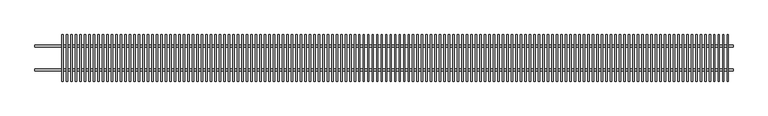
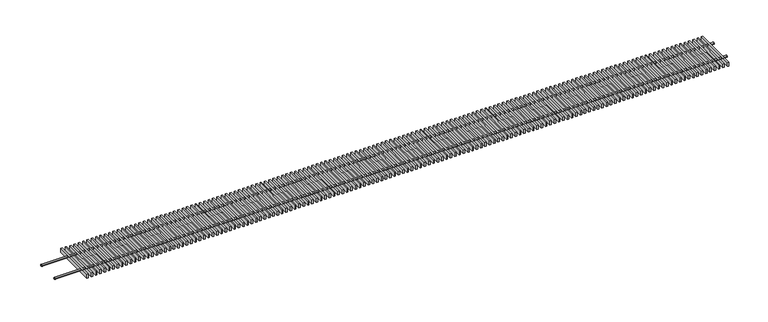
"""IFC4 building model written with IfcOpenShell, lengths in millimetres: proxy geometry."""

from ifc_helpers import new_model, si_unit, point, frame, frame_2d, origin, place, context, project, spatial, polyline, circle_curve, trimmed, segment, composite_curve, outline, extrude, source, transform, mapped, element, save


def mechanical_equipment_a3d43821(model_context):
    return source(origin(), model_context, "Body", "SweptSolid", [
        extrude(outline(polyline([(2923.0322581, -98.5), (2923.0322581, 98.5), (2929.0322581, 98.5), (2929.0322581, -98.5), (2923.0322581, -98.5)])), frame((0.0, 0.0, 77.0), z_axis=(0.0, 0.0, 1.0), x_axis=(1.0, 0.0, 0.0)), (0.0, 0.0, 1.0), 18.0),
        extrude(outline(polyline([(2904.0645161, -98.5), (2904.0645161, 98.5), (2910.0645161, 98.5), (2910.0645161, -98.5), (2904.0645161, -98.5)])), frame((0.0, 0.0, 77.0), z_axis=(0.0, 0.0, 1.0), x_axis=(1.0, 0.0, 0.0)), (0.0, 0.0, 1.0), 18.0),
        extrude(outline(polyline([(2885.0967742, -98.5), (2885.0967742, 98.5), (2891.0967742, 98.5), (2891.0967742, -98.5), (2885.0967742, -98.5)])), frame((0.0, 0.0, 77.0), z_axis=(0.0, 0.0, 1.0), x_axis=(1.0, 0.0, 0.0)), (0.0, 0.0, 1.0), 18.0),
        extrude(outline(polyline([(2866.1290323, -98.5), (2866.1290323, 98.5), (2872.1290323, 98.5), (2872.1290323, -98.5), (2866.1290323, -98.5)])), frame((0.0, 0.0, 77.0), z_axis=(0.0, 0.0, 1.0), x_axis=(1.0, 0.0, 0.0)), (0.0, 0.0, 1.0), 18.0),
        extrude(outline(polyline([(2847.1612903, -98.5), (2847.1612903, 98.5), (2853.1612903, 98.5), (2853.1612903, -98.5), (2847.1612903, -98.5)])), frame((0.0, 0.0, 77.0), z_axis=(0.0, 0.0, 1.0), x_axis=(1.0, 0.0, 0.0)), (0.0, 0.0, 1.0), 18.0),
        extrude(outline(polyline([(2828.1935484, -98.5), (2828.1935484, 98.5), (2834.1935484, 98.5), (2834.1935484, -98.5), (2828.1935484, -98.5)])), frame((0.0, 0.0, 77.0), z_axis=(0.0, 0.0, 1.0), x_axis=(1.0, 0.0, 0.0)), (0.0, 0.0, 1.0), 18.0),
        extrude(outline(polyline([(2809.2258065, -98.5), (2809.2258065, 98.5), (2815.2258065, 98.5), (2815.2258065, -98.5), (2809.2258065, -98.5)])), frame((0.0, 0.0, 77.0), z_axis=(0.0, 0.0, 1.0), x_axis=(1.0, 0.0, 0.0)), (0.0, 0.0, 1.0), 18.0),
        extrude(outline(polyline([(2790.2580645, -98.5), (2790.2580645, 98.5), (2796.2580645, 98.5), (2796.2580645, -98.5), (2790.2580645, -98.5)])), frame((0.0, 0.0, 77.0), z_axis=(0.0, 0.0, 1.0), x_axis=(1.0, 0.0, 0.0)), (0.0, 0.0, 1.0), 18.0),
        extrude(outline(polyline([(2771.2903226, -98.5), (2771.2903226, 98.5), (2777.2903226, 98.5), (2777.2903226, -98.5), (2771.2903226, -98.5)])), frame((0.0, 0.0, 77.0), z_axis=(0.0, 0.0, 1.0), x_axis=(1.0, 0.0, 0.0)), (0.0, 0.0, 1.0), 18.0),
        extrude(outline(polyline([(2752.3225806, -98.5), (2752.3225806, 98.5), (2758.3225806, 98.5), (2758.3225806, -98.5), (2752.3225806, -98.5)])), frame((0.0, 0.0, 77.0), z_axis=(0.0, 0.0, 1.0), x_axis=(1.0, 0.0, 0.0)), (0.0, 0.0, 1.0), 18.0),
        extrude(outline(polyline([(2733.3548387, -98.5), (2733.3548387, 98.5), (2739.3548387, 98.5), (2739.3548387, -98.5), (2733.3548387, -98.5)])), frame((0.0, 0.0, 77.0), z_axis=(0.0, 0.0, 1.0), x_axis=(1.0, 0.0, 0.0)), (0.0, 0.0, 1.0), 18.0),
        extrude(outline(polyline([(2714.3870968, -98.5), (2714.3870968, 98.5), (2720.3870968, 98.5), (2720.3870968, -98.5), (2714.3870968, -98.5)])), frame((0.0, 0.0, 77.0), z_axis=(0.0, 0.0, 1.0), x_axis=(1.0, 0.0, 0.0)), (0.0, 0.0, 1.0), 18.0),
        extrude(outline(polyline([(2695.4193548, -98.5), (2695.4193548, 98.5), (2701.4193548, 98.5), (2701.4193548, -98.5), (2695.4193548, -98.5)])), frame((0.0, 0.0, 77.0), z_axis=(0.0, 0.0, 1.0), x_axis=(1.0, 0.0, 0.0)), (0.0, 0.0, 1.0), 18.0),
        extrude(outline(polyline([(2676.4516129, -98.5), (2676.4516129, 98.5), (2682.4516129, 98.5), (2682.4516129, -98.5), (2676.4516129, -98.5)])), frame((0.0, 0.0, 77.0), z_axis=(0.0, 0.0, 1.0), x_axis=(1.0, 0.0, 0.0)), (0.0, 0.0, 1.0), 18.0),
        extrude(outline(polyline([(2657.483871, -98.5), (2657.483871, 98.5), (2663.483871, 98.5), (2663.483871, -98.5), (2657.483871, -98.5)])), frame((0.0, 0.0, 77.0), z_axis=(0.0, 0.0, 1.0), x_axis=(1.0, 0.0, 0.0)), (0.0, 0.0, 1.0), 18.0),
        extrude(outline(polyline([(2638.516129, -98.5), (2638.516129, 98.5), (2644.516129, 98.5), (2644.516129, -98.5), (2638.516129, -98.5)])), frame((0.0, 0.0, 77.0), z_axis=(0.0, 0.0, 1.0), x_axis=(1.0, 0.0, 0.0)), (0.0, 0.0, 1.0), 18.0),
        extrude(outline(polyline([(2619.5483871, -98.5), (2619.5483871, 98.5), (2625.5483871, 98.5), (2625.5483871, -98.5), (2619.5483871, -98.5)])), frame((0.0, 0.0, 77.0), z_axis=(0.0, 0.0, 1.0), x_axis=(1.0, 0.0, 0.0)), (0.0, 0.0, 1.0), 18.0),
        extrude(outline(polyline([(2600.5806452, -98.5), (2600.5806452, 98.5), (2606.5806452, 98.5), (2606.5806452, -98.5), (2600.5806452, -98.5)])), frame((0.0, 0.0, 77.0), z_axis=(0.0, 0.0, 1.0), x_axis=(1.0, 0.0, 0.0)), (0.0, 0.0, 1.0), 18.0),
        extrude(outline(polyline([(2581.6129032, -98.5), (2581.6129032, 98.5), (2587.6129032, 98.5), (2587.6129032, -98.5), (2581.6129032, -98.5)])), frame((0.0, 0.0, 77.0), z_axis=(0.0, 0.0, 1.0), x_axis=(1.0, 0.0, 0.0)), (0.0, 0.0, 1.0), 18.0),
        extrude(outline(polyline([(2562.6451613, -98.5), (2562.6451613, 98.5), (2568.6451613, 98.5), (2568.6451613, -98.5), (2562.6451613, -98.5)])), frame((0.0, 0.0, 77.0), z_axis=(0.0, 0.0, 1.0), x_axis=(1.0, 0.0, 0.0)), (0.0, 0.0, 1.0), 18.0),
        extrude(outline(polyline([(2543.6774194, -98.5), (2543.6774194, 98.5), (2549.6774194, 98.5), (2549.6774194, -98.5), (2543.6774194, -98.5)])), frame((0.0, 0.0, 77.0), z_axis=(0.0, 0.0, 1.0), x_axis=(1.0, 0.0, 0.0)), (0.0, 0.0, 1.0), 18.0),
        extrude(outline(polyline([(2524.7096774, -98.5), (2524.7096774, 98.5), (2530.7096774, 98.5), (2530.7096774, -98.5), (2524.7096774, -98.5)])), frame((0.0, 0.0, 77.0), z_axis=(0.0, 0.0, 1.0), x_axis=(1.0, 0.0, 0.0)), (0.0, 0.0, 1.0), 18.0),
        extrude(outline(polyline([(2505.7419355, -98.5), (2505.7419355, 98.5), (2511.7419355, 98.5), (2511.7419355, -98.5), (2505.7419355, -98.5)])), frame((0.0, 0.0, 77.0), z_axis=(0.0, 0.0, 1.0), x_axis=(1.0, 0.0, 0.0)), (0.0, 0.0, 1.0), 18.0),
        extrude(outline(polyline([(2486.7741935, -98.5), (2486.7741935, 98.5), (2492.7741935, 98.5), (2492.7741935, -98.5), (2486.7741935, -98.5)])), frame((0.0, 0.0, 77.0), z_axis=(0.0, 0.0, 1.0), x_axis=(1.0, 0.0, 0.0)), (0.0, 0.0, 1.0), 18.0),
        extrude(outline(polyline([(2467.8064516, -98.5), (2467.8064516, 98.5), (2473.8064516, 98.5), (2473.8064516, -98.5), (2467.8064516, -98.5)])), frame((0.0, 0.0, 77.0), z_axis=(0.0, 0.0, 1.0), x_axis=(1.0, 0.0, 0.0)), (0.0, 0.0, 1.0), 18.0),
        extrude(outline(polyline([(2448.8387097, -98.5), (2448.8387097, 98.5), (2454.8387097, 98.5), (2454.8387097, -98.5), (2448.8387097, -98.5)])), frame((0.0, 0.0, 77.0), z_axis=(0.0, 0.0, 1.0), x_axis=(1.0, 0.0, 0.0)), (0.0, 0.0, 1.0), 18.0),
        extrude(outline(polyline([(2429.8709677, -98.5), (2429.8709677, 98.5), (2435.8709677, 98.5), (2435.8709677, -98.5), (2429.8709677, -98.5)])), frame((0.0, 0.0, 77.0), z_axis=(0.0, 0.0, 1.0), x_axis=(1.0, 0.0, 0.0)), (0.0, 0.0, 1.0), 18.0),
        extrude(outline(polyline([(2410.9032258, -98.5), (2410.9032258, 98.5), (2416.9032258, 98.5), (2416.9032258, -98.5), (2410.9032258, -98.5)])), frame((0.0, 0.0, 77.0), z_axis=(0.0, 0.0, 1.0), x_axis=(1.0, 0.0, 0.0)), (0.0, 0.0, 1.0), 18.0),
        extrude(outline(polyline([(2391.9354839, -98.5), (2391.9354839, 98.5), (2397.9354839, 98.5), (2397.9354839, -98.5), (2391.9354839, -98.5)])), frame((0.0, 0.0, 77.0), z_axis=(0.0, 0.0, 1.0), x_axis=(1.0, 0.0, 0.0)), (0.0, 0.0, 1.0), 18.0),
        extrude(outline(polyline([(2372.9677419, -98.5), (2372.9677419, 98.5), (2378.9677419, 98.5), (2378.9677419, -98.5), (2372.9677419, -98.5)])), frame((0.0, 0.0, 77.0), z_axis=(0.0, 0.0, 1.0), x_axis=(1.0, 0.0, 0.0)), (0.0, 0.0, 1.0), 18.0),
        extrude(outline(polyline([(2354.0, -98.5), (2354.0, 98.5), (2360.0, 98.5), (2360.0, -98.5), (2354.0, -98.5)])), frame((0.0, 0.0, 77.0), z_axis=(0.0, 0.0, 1.0), x_axis=(1.0, 0.0, 0.0)), (0.0, 0.0, 1.0), 18.0),
        extrude(outline(polyline([(2335.0322581, -98.5), (2335.0322581, 98.5), (2341.0322581, 98.5), (2341.0322581, -98.5), (2335.0322581, -98.5)])), frame((0.0, 0.0, 77.0), z_axis=(0.0, 0.0, 1.0), x_axis=(1.0, 0.0, 0.0)), (0.0, 0.0, 1.0), 18.0),
        extrude(outline(polyline([(2316.0645161, -98.5), (2316.0645161, 98.5), (2322.0645161, 98.5), (2322.0645161, -98.5), (2316.0645161, -98.5)])), frame((0.0, 0.0, 77.0), z_axis=(0.0, 0.0, 1.0), x_axis=(1.0, 0.0, 0.0)), (0.0, 0.0, 1.0), 18.0),
        extrude(outline(polyline([(2297.0967742, -98.5), (2297.0967742, 98.5), (2303.0967742, 98.5), (2303.0967742, -98.5), (2297.0967742, -98.5)])), frame((0.0, 0.0, 77.0), z_axis=(0.0, 0.0, 1.0), x_axis=(1.0, 0.0, 0.0)), (0.0, 0.0, 1.0), 18.0),
        extrude(outline(polyline([(2278.1290323, -98.5), (2278.1290323, 98.5), (2284.1290323, 98.5), (2284.1290323, -98.5), (2278.1290323, -98.5)])), frame((0.0, 0.0, 77.0), z_axis=(0.0, 0.0, 1.0), x_axis=(1.0, 0.0, 0.0)), (0.0, 0.0, 1.0), 18.0),
        extrude(outline(polyline([(2259.1612903, -98.5), (2259.1612903, 98.5), (2265.1612903, 98.5), (2265.1612903, -98.5), (2259.1612903, -98.5)])), frame((0.0, 0.0, 77.0), z_axis=(0.0, 0.0, 1.0), x_axis=(1.0, 0.0, 0.0)), (0.0, 0.0, 1.0), 18.0),
        extrude(outline(polyline([(2240.1935484, -98.5), (2240.1935484, 98.5), (2246.1935484, 98.5), (2246.1935484, -98.5), (2240.1935484, -98.5)])), frame((0.0, 0.0, 77.0), z_axis=(0.0, 0.0, 1.0), x_axis=(1.0, 0.0, 0.0)), (0.0, 0.0, 1.0), 18.0),
        extrude(outline(polyline([(2221.2258065, -98.5), (2221.2258065, 98.5), (2227.2258065, 98.5), (2227.2258065, -98.5), (2221.2258065, -98.5)])), frame((0.0, 0.0, 77.0), z_axis=(0.0, 0.0, 1.0), x_axis=(1.0, 0.0, 0.0)), (0.0, 0.0, 1.0), 18.0),
        extrude(outline(polyline([(2202.2580645, -98.5), (2202.2580645, 98.5), (2208.2580645, 98.5), (2208.2580645, -98.5), (2202.2580645, -98.5)])), frame((0.0, 0.0, 77.0), z_axis=(0.0, 0.0, 1.0), x_axis=(1.0, 0.0, 0.0)), (0.0, 0.0, 1.0), 18.0),
        extrude(outline(polyline([(2183.2903226, -98.5), (2183.2903226, 98.5), (2189.2903226, 98.5), (2189.2903226, -98.5), (2183.2903226, -98.5)])), frame((0.0, 0.0, 77.0), z_axis=(0.0, 0.0, 1.0), x_axis=(1.0, 0.0, 0.0)), (0.0, 0.0, 1.0), 18.0),
        extrude(outline(polyline([(2164.3225806, -98.5), (2164.3225806, 98.5), (2170.3225806, 98.5), (2170.3225806, -98.5), (2164.3225806, -98.5)])), frame((0.0, 0.0, 77.0), z_axis=(0.0, 0.0, 1.0), x_axis=(1.0, 0.0, 0.0)), (0.0, 0.0, 1.0), 18.0),
        extrude(outline(polyline([(2145.3548387, -98.5), (2145.3548387, 98.5), (2151.3548387, 98.5), (2151.3548387, -98.5), (2145.3548387, -98.5)])), frame((0.0, 0.0, 77.0), z_axis=(0.0, 0.0, 1.0), x_axis=(1.0, 0.0, 0.0)), (0.0, 0.0, 1.0), 18.0),
        extrude(outline(polyline([(2126.3870968, -98.5), (2126.3870968, 98.5), (2132.3870968, 98.5), (2132.3870968, -98.5), (2126.3870968, -98.5)])), frame((0.0, 0.0, 77.0), z_axis=(0.0, 0.0, 1.0), x_axis=(1.0, 0.0, 0.0)), (0.0, 0.0, 1.0), 18.0),
        extrude(outline(polyline([(2107.4193548, -98.5), (2107.4193548, 98.5), (2113.4193548, 98.5), (2113.4193548, -98.5), (2107.4193548, -98.5)])), frame((0.0, 0.0, 77.0), z_axis=(0.0, 0.0, 1.0), x_axis=(1.0, 0.0, 0.0)), (0.0, 0.0, 1.0), 18.0),
        extrude(outline(polyline([(2088.4516129, -98.5), (2088.4516129, 98.5), (2094.4516129, 98.5), (2094.4516129, -98.5), (2088.4516129, -98.5)])), frame((0.0, 0.0, 77.0), z_axis=(0.0, 0.0, 1.0), x_axis=(1.0, 0.0, 0.0)), (0.0, 0.0, 1.0), 18.0),
        extrude(outline(polyline([(2069.483871, -98.5), (2069.483871, 98.5), (2075.483871, 98.5), (2075.483871, -98.5), (2069.483871, -98.5)])), frame((0.0, 0.0, 77.0), z_axis=(0.0, 0.0, 1.0), x_axis=(1.0, 0.0, 0.0)), (0.0, 0.0, 1.0), 18.0),
        extrude(outline(polyline([(2050.516129, -98.5), (2050.516129, 98.5), (2056.516129, 98.5), (2056.516129, -98.5), (2050.516129, -98.5)])), frame((0.0, 0.0, 77.0), z_axis=(0.0, 0.0, 1.0), x_axis=(1.0, 0.0, 0.0)), (0.0, 0.0, 1.0), 18.0),
        extrude(outline(polyline([(2031.5483871, -98.5), (2031.5483871, 98.5), (2037.5483871, 98.5), (2037.5483871, -98.5), (2031.5483871, -98.5)])), frame((0.0, 0.0, 77.0), z_axis=(0.0, 0.0, 1.0), x_axis=(1.0, 0.0, 0.0)), (0.0, 0.0, 1.0), 18.0),
        extrude(outline(polyline([(2012.5806452, -98.5), (2012.5806452, 98.5), (2018.5806452, 98.5), (2018.5806452, -98.5), (2012.5806452, -98.5)])), frame((0.0, 0.0, 77.0), z_axis=(0.0, 0.0, 1.0), x_axis=(1.0, 0.0, 0.0)), (0.0, 0.0, 1.0), 18.0),
        extrude(outline(polyline([(1993.6129032, -98.5), (1993.6129032, 98.5), (1999.6129032, 98.5), (1999.6129032, -98.5), (1993.6129032, -98.5)])), frame((0.0, 0.0, 77.0), z_axis=(0.0, 0.0, 1.0), x_axis=(1.0, 0.0, 0.0)), (0.0, 0.0, 1.0), 18.0),
        extrude(outline(polyline([(1974.6451613, -98.5), (1974.6451613, 98.5), (1980.6451613, 98.5), (1980.6451613, -98.5), (1974.6451613, -98.5)])), frame((0.0, 0.0, 77.0), z_axis=(0.0, 0.0, 1.0), x_axis=(1.0, 0.0, 0.0)), (0.0, 0.0, 1.0), 18.0),
        extrude(outline(polyline([(1955.6774194, -98.5), (1955.6774194, 98.5), (1961.6774194, 98.5), (1961.6774194, -98.5), (1955.6774194, -98.5)])), frame((0.0, 0.0, 77.0), z_axis=(0.0, 0.0, 1.0), x_axis=(1.0, 0.0, 0.0)), (0.0, 0.0, 1.0), 18.0),
        extrude(outline(polyline([(1936.7096774, -98.5), (1936.7096774, 98.5), (1942.7096774, 98.5), (1942.7096774, -98.5), (1936.7096774, -98.5)])), frame((0.0, 0.0, 77.0), z_axis=(0.0, 0.0, 1.0), x_axis=(1.0, 0.0, 0.0)), (0.0, 0.0, 1.0), 18.0),
        extrude(outline(polyline([(1917.7419355, -98.5), (1917.7419355, 98.5), (1923.7419355, 98.5), (1923.7419355, -98.5), (1917.7419355, -98.5)])), frame((0.0, 0.0, 77.0), z_axis=(0.0, 0.0, 1.0), x_axis=(1.0, 0.0, 0.0)), (0.0, 0.0, 1.0), 18.0),
        extrude(outline(polyline([(1898.7741935, -98.5), (1898.7741935, 98.5), (1904.7741935, 98.5), (1904.7741935, -98.5), (1898.7741935, -98.5)])), frame((0.0, 0.0, 77.0), z_axis=(0.0, 0.0, 1.0), x_axis=(1.0, 0.0, 0.0)), (0.0, 0.0, 1.0), 18.0),
        extrude(outline(polyline([(1879.8064516, -98.5), (1879.8064516, 98.5), (1885.8064516, 98.5), (1885.8064516, -98.5), (1879.8064516, -98.5)])), frame((0.0, 0.0, 77.0), z_axis=(0.0, 0.0, 1.0), x_axis=(1.0, 0.0, 0.0)), (0.0, 0.0, 1.0), 18.0),
        extrude(outline(polyline([(1860.8387097, -98.5), (1860.8387097, 98.5), (1866.8387097, 98.5), (1866.8387097, -98.5), (1860.8387097, -98.5)])), frame((0.0, 0.0, 77.0), z_axis=(0.0, 0.0, 1.0), x_axis=(1.0, 0.0, 0.0)), (0.0, 0.0, 1.0), 18.0),
        extrude(outline(polyline([(1841.8709677, -98.5), (1841.8709677, 98.5), (1847.8709677, 98.5), (1847.8709677, -98.5), (1841.8709677, -98.5)])), frame((0.0, 0.0, 77.0), z_axis=(0.0, 0.0, 1.0), x_axis=(1.0, 0.0, 0.0)), (0.0, 0.0, 1.0), 18.0),
        extrude(outline(polyline([(1822.9032258, -98.5), (1822.9032258, 98.5), (1828.9032258, 98.5), (1828.9032258, -98.5), (1822.9032258, -98.5)])), frame((0.0, 0.0, 77.0), z_axis=(0.0, 0.0, 1.0), x_axis=(1.0, 0.0, 0.0)), (0.0, 0.0, 1.0), 18.0),
        extrude(outline(polyline([(1803.9354839, -98.5), (1803.9354839, 98.5), (1809.9354839, 98.5), (1809.9354839, -98.5), (1803.9354839, -98.5)])), frame((0.0, 0.0, 77.0), z_axis=(0.0, 0.0, 1.0), x_axis=(1.0, 0.0, 0.0)), (0.0, 0.0, 1.0), 18.0),
        extrude(outline(polyline([(1784.9677419, -98.5), (1784.9677419, 98.5), (1790.9677419, 98.5), (1790.9677419, -98.5), (1784.9677419, -98.5)])), frame((0.0, 0.0, 77.0), z_axis=(0.0, 0.0, 1.0), x_axis=(1.0, 0.0, 0.0)), (0.0, 0.0, 1.0), 18.0),
        extrude(outline(polyline([(1766.0, -98.5), (1766.0, 98.5), (1772.0, 98.5), (1772.0, -98.5), (1766.0, -98.5)])), frame((0.0, 0.0, 77.0), z_axis=(0.0, 0.0, 1.0), x_axis=(1.0, 0.0, 0.0)), (0.0, 0.0, 1.0), 18.0),
        extrude(outline(polyline([(1747.0322581, -98.5), (1747.0322581, 98.5), (1753.0322581, 98.5), (1753.0322581, -98.5), (1747.0322581, -98.5)])), frame((0.0, 0.0, 77.0), z_axis=(0.0, 0.0, 1.0), x_axis=(1.0, 0.0, 0.0)), (0.0, 0.0, 1.0), 18.0),
        extrude(outline(polyline([(1728.0645161, -98.5), (1728.0645161, 98.5), (1734.0645161, 98.5), (1734.0645161, -98.5), (1728.0645161, -98.5)])), frame((0.0, 0.0, 77.0), z_axis=(0.0, 0.0, 1.0), x_axis=(1.0, 0.0, 0.0)), (0.0, 0.0, 1.0), 18.0),
        extrude(outline(polyline([(1709.0967742, -98.5), (1709.0967742, 98.5), (1715.0967742, 98.5), (1715.0967742, -98.5), (1709.0967742, -98.5)])), frame((0.0, 0.0, 77.0), z_axis=(0.0, 0.0, 1.0), x_axis=(1.0, 0.0, 0.0)), (0.0, 0.0, 1.0), 18.0),
        extrude(outline(polyline([(1690.1290323, -98.5), (1690.1290323, 98.5), (1696.1290323, 98.5), (1696.1290323, -98.5), (1690.1290323, -98.5)])), frame((0.0, 0.0, 77.0), z_axis=(0.0, 0.0, 1.0), x_axis=(1.0, 0.0, 0.0)), (0.0, 0.0, 1.0), 18.0),
        extrude(outline(polyline([(1671.1612903, -98.5), (1671.1612903, 98.5), (1677.1612903, 98.5), (1677.1612903, -98.5), (1671.1612903, -98.5)])), frame((0.0, 0.0, 77.0), z_axis=(0.0, 0.0, 1.0), x_axis=(1.0, 0.0, 0.0)), (0.0, 0.0, 1.0), 18.0),
        extrude(outline(polyline([(1652.1935484, -98.5), (1652.1935484, 98.5), (1658.1935484, 98.5), (1658.1935484, -98.5), (1652.1935484, -98.5)])), frame((0.0, 0.0, 77.0), z_axis=(0.0, 0.0, 1.0), x_axis=(1.0, 0.0, 0.0)), (0.0, 0.0, 1.0), 18.0),
        extrude(outline(polyline([(1633.2258065, -98.5), (1633.2258065, 98.5), (1639.2258065, 98.5), (1639.2258065, -98.5), (1633.2258065, -98.5)])), frame((0.0, 0.0, 77.0), z_axis=(0.0, 0.0, 1.0), x_axis=(1.0, 0.0, 0.0)), (0.0, 0.0, 1.0), 18.0),
        extrude(outline(polyline([(1614.2580645, -98.5), (1614.2580645, 98.5), (1620.2580645, 98.5), (1620.2580645, -98.5), (1614.2580645, -98.5)])), frame((0.0, 0.0, 77.0), z_axis=(0.0, 0.0, 1.0), x_axis=(1.0, 0.0, 0.0)), (0.0, 0.0, 1.0), 18.0),
        extrude(outline(polyline([(1595.2903226, -98.5), (1595.2903226, 98.5), (1601.2903226, 98.5), (1601.2903226, -98.5), (1595.2903226, -98.5)])), frame((0.0, 0.0, 77.0), z_axis=(0.0, 0.0, 1.0), x_axis=(1.0, 0.0, 0.0)), (0.0, 0.0, 1.0), 18.0),
        extrude(outline(polyline([(1576.3225806, -98.5), (1576.3225806, 98.5), (1582.3225806, 98.5), (1582.3225806, -98.5), (1576.3225806, -98.5)])), frame((0.0, 0.0, 77.0), z_axis=(0.0, 0.0, 1.0), x_axis=(1.0, 0.0, 0.0)), (0.0, 0.0, 1.0), 18.0),
        extrude(outline(polyline([(1557.3548387, -98.5), (1557.3548387, 98.5), (1563.3548387, 98.5), (1563.3548387, -98.5), (1557.3548387, -98.5)])), frame((0.0, 0.0, 77.0), z_axis=(0.0, 0.0, 1.0), x_axis=(1.0, 0.0, 0.0)), (0.0, 0.0, 1.0), 18.0),
        extrude(outline(polyline([(1538.3870968, -98.5), (1538.3870968, 98.5), (1544.3870968, 98.5), (1544.3870968, -98.5), (1538.3870968, -98.5)])), frame((0.0, 0.0, 77.0), z_axis=(0.0, 0.0, 1.0), x_axis=(1.0, 0.0, 0.0)), (0.0, 0.0, 1.0), 18.0),
        extrude(outline(polyline([(1519.4193548, -98.5), (1519.4193548, 98.5), (1525.4193548, 98.5), (1525.4193548, -98.5), (1519.4193548, -98.5)])), frame((0.0, 0.0, 77.0), z_axis=(0.0, 0.0, 1.0), x_axis=(1.0, 0.0, 0.0)), (0.0, 0.0, 1.0), 18.0),
        extrude(outline(polyline([(1500.4516129, -98.5), (1500.4516129, 98.5), (1506.4516129, 98.5), (1506.4516129, -98.5), (1500.4516129, -98.5)])), frame((0.0, 0.0, 77.0), z_axis=(0.0, 0.0, 1.0), x_axis=(1.0, 0.0, 0.0)), (0.0, 0.0, 1.0), 18.0),
        extrude(outline(polyline([(1481.483871, -98.5), (1481.483871, 98.5), (1487.483871, 98.5), (1487.483871, -98.5), (1481.483871, -98.5)])), frame((0.0, 0.0, 77.0), z_axis=(0.0, 0.0, 1.0), x_axis=(1.0, 0.0, 0.0)), (0.0, 0.0, 1.0), 18.0),
        extrude(outline(composite_curve([segment(trimmed(circle_curve(frame_2d((-50.0, 86.0)), 4.0), [point((-54.0, 86.0))], [point((-46.0, 86.0))], False, "CARTESIAN"), True, "CONTINUOUS"), segment(trimmed(circle_curve(frame_2d((-50.0, 86.0)), 4.0), [point((-46.0, 86.0))], [point((-54.0, 86.0))], False, "CARTESIAN"), True, "CONTINUOUS")], self_intersect=False)), frame((1.5, 0.0, 0.0), z_axis=(1.0, 0.0, 0.0), x_axis=(0.0, 1.0, 0.0)), (0.0, 0.0, 1.0), 2947.0),
        extrude(outline(composite_curve([segment(trimmed(circle_curve(frame_2d((50.0, 86.0)), 4.0), [point((46.0, 86.0))], [point((54.0, 86.0))], False, "CARTESIAN"), True, "CONTINUOUS"), segment(trimmed(circle_curve(frame_2d((50.0, 86.0)), 4.0), [point((54.0, 86.0))], [point((46.0, 86.0))], False, "CARTESIAN"), True, "CONTINUOUS")], self_intersect=False)), frame((1.5, 0.0, 0.0), z_axis=(1.0, 0.0, 0.0), x_axis=(0.0, 1.0, 0.0)), (0.0, 0.0, 1.0), 2947.0),
        extrude(outline(polyline([(1462.516129, -98.5), (1462.516129, 98.5), (1468.516129, 98.5), (1468.516129, -98.5), (1462.516129, -98.5)])), frame((0.0, 0.0, 77.0), z_axis=(0.0, 0.0, 1.0), x_axis=(1.0, 0.0, 0.0)), (0.0, 0.0, 1.0), 18.0),
        extrude(outline(polyline([(1443.5483871, -98.5), (1443.5483871, 98.5), (1449.5483871, 98.5), (1449.5483871, -98.5), (1443.5483871, -98.5)])), frame((0.0, 0.0, 77.0), z_axis=(0.0, 0.0, 1.0), x_axis=(1.0, 0.0, 0.0)), (0.0, 0.0, 1.0), 18.0),
        extrude(outline(polyline([(1424.5806452, -98.5), (1424.5806452, 98.5), (1430.5806452, 98.5), (1430.5806452, -98.5), (1424.5806452, -98.5)])), frame((0.0, 0.0, 77.0), z_axis=(0.0, 0.0, 1.0), x_axis=(1.0, 0.0, 0.0)), (0.0, 0.0, 1.0), 18.0),
        extrude(outline(polyline([(1405.6129032, -98.5), (1405.6129032, 98.5), (1411.6129032, 98.5), (1411.6129032, -98.5), (1405.6129032, -98.5)])), frame((0.0, 0.0, 77.0), z_axis=(0.0, 0.0, 1.0), x_axis=(1.0, 0.0, 0.0)), (0.0, 0.0, 1.0), 18.0),
        extrude(outline(polyline([(1386.6451613, -98.5), (1386.6451613, 98.5), (1392.6451613, 98.5), (1392.6451613, -98.5), (1386.6451613, -98.5)])), frame((0.0, 0.0, 77.0), z_axis=(0.0, 0.0, 1.0), x_axis=(1.0, 0.0, 0.0)), (0.0, 0.0, 1.0), 18.0),
        extrude(outline(polyline([(1367.6774194, -98.5), (1367.6774194, 98.5), (1373.6774194, 98.5), (1373.6774194, -98.5), (1367.6774194, -98.5)])), frame((0.0, 0.0, 77.0), z_axis=(0.0, 0.0, 1.0), x_axis=(1.0, 0.0, 0.0)), (0.0, 0.0, 1.0), 18.0),
        extrude(outline(polyline([(1348.7096774, -98.5), (1348.7096774, 98.5), (1354.7096774, 98.5), (1354.7096774, -98.5), (1348.7096774, -98.5)])), frame((0.0, 0.0, 77.0), z_axis=(0.0, 0.0, 1.0), x_axis=(1.0, 0.0, 0.0)), (0.0, 0.0, 1.0), 18.0),
        extrude(outline(polyline([(1329.7419355, -98.5), (1329.7419355, 98.5), (1335.7419355, 98.5), (1335.7419355, -98.5), (1329.7419355, -98.5)])), frame((0.0, 0.0, 77.0), z_axis=(0.0, 0.0, 1.0), x_axis=(1.0, 0.0, 0.0)), (0.0, 0.0, 1.0), 18.0),
        extrude(outline(polyline([(1310.7741935, -98.5), (1310.7741935, 98.5), (1316.7741935, 98.5), (1316.7741935, -98.5), (1310.7741935, -98.5)])), frame((0.0, 0.0, 77.0), z_axis=(0.0, 0.0, 1.0), x_axis=(1.0, 0.0, 0.0)), (0.0, 0.0, 1.0), 18.0),
        extrude(outline(polyline([(1291.8064516, -98.5), (1291.8064516, 98.5), (1297.8064516, 98.5), (1297.8064516, -98.5), (1291.8064516, -98.5)])), frame((0.0, 0.0, 77.0), z_axis=(0.0, 0.0, 1.0), x_axis=(1.0, 0.0, 0.0)), (0.0, 0.0, 1.0), 18.0),
        extrude(outline(polyline([(1272.8387097, -98.5), (1272.8387097, 98.5), (1278.8387097, 98.5), (1278.8387097, -98.5), (1272.8387097, -98.5)])), frame((0.0, 0.0, 77.0), z_axis=(0.0, 0.0, 1.0), x_axis=(1.0, 0.0, 0.0)), (0.0, 0.0, 1.0), 18.0),
        extrude(outline(polyline([(1253.8709677, -98.5), (1253.8709677, 98.5), (1259.8709677, 98.5), (1259.8709677, -98.5), (1253.8709677, -98.5)])), frame((0.0, 0.0, 77.0), z_axis=(0.0, 0.0, 1.0), x_axis=(1.0, 0.0, 0.0)), (0.0, 0.0, 1.0), 18.0),
        extrude(outline(polyline([(1234.9032258, -98.5), (1234.9032258, 98.5), (1240.9032258, 98.5), (1240.9032258, -98.5), (1234.9032258, -98.5)])), frame((0.0, 0.0, 77.0), z_axis=(0.0, 0.0, 1.0), x_axis=(1.0, 0.0, 0.0)), (0.0, 0.0, 1.0), 18.0),
        extrude(outline(polyline([(1215.9354839, -98.5), (1215.9354839, 98.5), (1221.9354839, 98.5), (1221.9354839, -98.5), (1215.9354839, -98.5)])), frame((0.0, 0.0, 77.0), z_axis=(0.0, 0.0, 1.0), x_axis=(1.0, 0.0, 0.0)), (0.0, 0.0, 1.0), 18.0),
        extrude(outline(polyline([(1196.9677419, -98.5), (1196.9677419, 98.5), (1202.9677419, 98.5), (1202.9677419, -98.5), (1196.9677419, -98.5)])), frame((0.0, 0.0, 77.0), z_axis=(0.0, 0.0, 1.0), x_axis=(1.0, 0.0, 0.0)), (0.0, 0.0, 1.0), 18.0),
        extrude(outline(polyline([(1178.0, -98.5), (1178.0, 98.5), (1184.0, 98.5), (1184.0, -98.5), (1178.0, -98.5)])), frame((0.0, 0.0, 77.0), z_axis=(0.0, 0.0, 1.0), x_axis=(1.0, 0.0, 0.0)), (0.0, 0.0, 1.0), 18.0),
        extrude(outline(polyline([(1159.0322581, -98.5), (1159.0322581, 98.5), (1165.0322581, 98.5), (1165.0322581, -98.5), (1159.0322581, -98.5)])), frame((0.0, 0.0, 77.0), z_axis=(0.0, 0.0, 1.0), x_axis=(1.0, 0.0, 0.0)), (0.0, 0.0, 1.0), 18.0),
        extrude(outline(polyline([(1140.0645161, -98.5), (1140.0645161, 98.5), (1146.0645161, 98.5), (1146.0645161, -98.5), (1140.0645161, -98.5)])), frame((0.0, 0.0, 77.0), z_axis=(0.0, 0.0, 1.0), x_axis=(1.0, 0.0, 0.0)), (0.0, 0.0, 1.0), 18.0),
        extrude(outline(polyline([(1121.0967742, -98.5), (1121.0967742, 98.5), (1127.0967742, 98.5), (1127.0967742, -98.5), (1121.0967742, -98.5)])), frame((0.0, 0.0, 77.0), z_axis=(0.0, 0.0, 1.0), x_axis=(1.0, 0.0, 0.0)), (0.0, 0.0, 1.0), 18.0),
        extrude(outline(polyline([(1102.1290323, -98.5), (1102.1290323, 98.5), (1108.1290323, 98.5), (1108.1290323, -98.5), (1102.1290323, -98.5)])), frame((0.0, 0.0, 77.0), z_axis=(0.0, 0.0, 1.0), x_axis=(1.0, 0.0, 0.0)), (0.0, 0.0, 1.0), 18.0),
        extrude(outline(polyline([(1083.1612903, -98.5), (1083.1612903, 98.5), (1089.1612903, 98.5), (1089.1612903, -98.5), (1083.1612903, -98.5)])), frame((0.0, 0.0, 77.0), z_axis=(0.0, 0.0, 1.0), x_axis=(1.0, 0.0, 0.0)), (0.0, 0.0, 1.0), 18.0),
        extrude(outline(polyline([(1064.1935484, -98.5), (1064.1935484, 98.5), (1070.1935484, 98.5), (1070.1935484, -98.5), (1064.1935484, -98.5)])), frame((0.0, 0.0, 77.0), z_axis=(0.0, 0.0, 1.0), x_axis=(1.0, 0.0, 0.0)), (0.0, 0.0, 1.0), 18.0),
        extrude(outline(polyline([(1045.2258065, -98.5), (1045.2258065, 98.5), (1051.2258065, 98.5), (1051.2258065, -98.5), (1045.2258065, -98.5)])), frame((0.0, 0.0, 77.0), z_axis=(0.0, 0.0, 1.0), x_axis=(1.0, 0.0, 0.0)), (0.0, 0.0, 1.0), 18.0),
        extrude(outline(polyline([(1026.2580645, -98.5), (1026.2580645, 98.5), (1032.2580645, 98.5), (1032.2580645, -98.5), (1026.2580645, -98.5)])), frame((0.0, 0.0, 77.0), z_axis=(0.0, 0.0, 1.0), x_axis=(1.0, 0.0, 0.0)), (0.0, 0.0, 1.0), 18.0),
        extrude(outline(polyline([(1007.2903226, -98.5), (1007.2903226, 98.5), (1013.2903226, 98.5), (1013.2903226, -98.5), (1007.2903226, -98.5)])), frame((0.0, 0.0, 77.0), z_axis=(0.0, 0.0, 1.0), x_axis=(1.0, 0.0, 0.0)), (0.0, 0.0, 1.0), 18.0),
        extrude(outline(polyline([(988.3225806, -98.5), (988.3225806, 98.5), (994.3225806, 98.5), (994.3225806, -98.5), (988.3225806, -98.5)])), frame((0.0, 0.0, 77.0), z_axis=(0.0, 0.0, 1.0), x_axis=(1.0, 0.0, 0.0)), (0.0, 0.0, 1.0), 18.0),
        extrude(outline(polyline([(969.3548387, -98.5), (969.3548387, 98.5), (975.3548387, 98.5), (975.3548387, -98.5), (969.3548387, -98.5)])), frame((0.0, 0.0, 77.0), z_axis=(0.0, 0.0, 1.0), x_axis=(1.0, 0.0, 0.0)), (0.0, 0.0, 1.0), 18.0),
        extrude(outline(polyline([(950.3870968, -98.5), (950.3870968, 98.5), (956.3870968, 98.5), (956.3870968, -98.5), (950.3870968, -98.5)])), frame((0.0, 0.0, 77.0), z_axis=(0.0, 0.0, 1.0), x_axis=(1.0, 0.0, 0.0)), (0.0, 0.0, 1.0), 18.0),
        extrude(outline(polyline([(931.4193548, -98.5), (931.4193548, 98.5), (937.4193548, 98.5), (937.4193548, -98.5), (931.4193548, -98.5)])), frame((0.0, 0.0, 77.0), z_axis=(0.0, 0.0, 1.0), x_axis=(1.0, 0.0, 0.0)), (0.0, 0.0, 1.0), 18.0),
        extrude(outline(polyline([(912.4516129, -98.5), (912.4516129, 98.5), (918.4516129, 98.5), (918.4516129, -98.5), (912.4516129, -98.5)])), frame((0.0, 0.0, 77.0), z_axis=(0.0, 0.0, 1.0), x_axis=(1.0, 0.0, 0.0)), (0.0, 0.0, 1.0), 18.0),
        extrude(outline(polyline([(893.483871, -98.5), (893.483871, 98.5), (899.483871, 98.5), (899.483871, -98.5), (893.483871, -98.5)])), frame((0.0, 0.0, 77.0), z_axis=(0.0, 0.0, 1.0), x_axis=(1.0, 0.0, 0.0)), (0.0, 0.0, 1.0), 18.0),
        extrude(outline(polyline([(874.516129, -98.5), (874.516129, 98.5), (880.516129, 98.5), (880.516129, -98.5), (874.516129, -98.5)])), frame((0.0, 0.0, 77.0), z_axis=(0.0, 0.0, 1.0), x_axis=(1.0, 0.0, 0.0)), (0.0, 0.0, 1.0), 18.0),
        extrude(outline(polyline([(855.5483871, -98.5), (855.5483871, 98.5), (861.5483871, 98.5), (861.5483871, -98.5), (855.5483871, -98.5)])), frame((0.0, 0.0, 77.0), z_axis=(0.0, 0.0, 1.0), x_axis=(1.0, 0.0, 0.0)), (0.0, 0.0, 1.0), 18.0),
        extrude(outline(polyline([(836.5806452, -98.5), (836.5806452, 98.5), (842.5806452, 98.5), (842.5806452, -98.5), (836.5806452, -98.5)])), frame((0.0, 0.0, 77.0), z_axis=(0.0, 0.0, 1.0), x_axis=(1.0, 0.0, 0.0)), (0.0, 0.0, 1.0), 18.0),
        extrude(outline(polyline([(817.6129032, -98.5), (817.6129032, 98.5), (823.6129032, 98.5), (823.6129032, -98.5), (817.6129032, -98.5)])), frame((0.0, 0.0, 77.0), z_axis=(0.0, 0.0, 1.0), x_axis=(1.0, 0.0, 0.0)), (0.0, 0.0, 1.0), 18.0),
        extrude(outline(polyline([(798.6451613, -98.5), (798.6451613, 98.5), (804.6451613, 98.5), (804.6451613, -98.5), (798.6451613, -98.5)])), frame((0.0, 0.0, 77.0), z_axis=(0.0, 0.0, 1.0), x_axis=(1.0, 0.0, 0.0)), (0.0, 0.0, 1.0), 18.0),
        extrude(outline(polyline([(779.6774194, -98.5), (779.6774194, 98.5), (785.6774194, 98.5), (785.6774194, -98.5), (779.6774194, -98.5)])), frame((0.0, 0.0, 77.0), z_axis=(0.0, 0.0, 1.0), x_axis=(1.0, 0.0, 0.0)), (0.0, 0.0, 1.0), 18.0),
        extrude(outline(polyline([(760.7096774, -98.5), (760.7096774, 98.5), (766.7096774, 98.5), (766.7096774, -98.5), (760.7096774, -98.5)])), frame((0.0, 0.0, 77.0), z_axis=(0.0, 0.0, 1.0), x_axis=(1.0, 0.0, 0.0)), (0.0, 0.0, 1.0), 18.0),
        extrude(outline(polyline([(741.7419355, -98.5), (741.7419355, 98.5), (747.7419355, 98.5), (747.7419355, -98.5), (741.7419355, -98.5)])), frame((0.0, 0.0, 77.0), z_axis=(0.0, 0.0, 1.0), x_axis=(1.0, 0.0, 0.0)), (0.0, 0.0, 1.0), 18.0),
        extrude(outline(polyline([(722.7741935, -98.5), (722.7741935, 98.5), (728.7741935, 98.5), (728.7741935, -98.5), (722.7741935, -98.5)])), frame((0.0, 0.0, 77.0), z_axis=(0.0, 0.0, 1.0), x_axis=(1.0, 0.0, 0.0)), (0.0, 0.0, 1.0), 18.0),
        extrude(outline(polyline([(703.8064516, -98.5), (703.8064516, 98.5), (709.8064516, 98.5), (709.8064516, -98.5), (703.8064516, -98.5)])), frame((0.0, 0.0, 77.0), z_axis=(0.0, 0.0, 1.0), x_axis=(1.0, 0.0, 0.0)), (0.0, 0.0, 1.0), 18.0),
        extrude(outline(polyline([(684.8387097, -98.5), (684.8387097, 98.5), (690.8387097, 98.5), (690.8387097, -98.5), (684.8387097, -98.5)])), frame((0.0, 0.0, 77.0), z_axis=(0.0, 0.0, 1.0), x_axis=(1.0, 0.0, 0.0)), (0.0, 0.0, 1.0), 18.0),
        extrude(outline(polyline([(665.8709677, -98.5), (665.8709677, 98.5), (671.8709677, 98.5), (671.8709677, -98.5), (665.8709677, -98.5)])), frame((0.0, 0.0, 77.0), z_axis=(0.0, 0.0, 1.0), x_axis=(1.0, 0.0, 0.0)), (0.0, 0.0, 1.0), 18.0),
        extrude(outline(polyline([(646.9032258, -98.5), (646.9032258, 98.5), (652.9032258, 98.5), (652.9032258, -98.5), (646.9032258, -98.5)])), frame((0.0, 0.0, 77.0), z_axis=(0.0, 0.0, 1.0), x_axis=(1.0, 0.0, 0.0)), (0.0, 0.0, 1.0), 18.0),
        extrude(outline(polyline([(627.9354839, -98.5), (627.9354839, 98.5), (633.9354839, 98.5), (633.9354839, -98.5), (627.9354839, -98.5)])), frame((0.0, 0.0, 77.0), z_axis=(0.0, 0.0, 1.0), x_axis=(1.0, 0.0, 0.0)), (0.0, 0.0, 1.0), 18.0),
        extrude(outline(polyline([(608.9677419, -98.5), (608.9677419, 98.5), (614.9677419, 98.5), (614.9677419, -98.5), (608.9677419, -98.5)])), frame((0.0, 0.0, 77.0), z_axis=(0.0, 0.0, 1.0), x_axis=(1.0, 0.0, 0.0)), (0.0, 0.0, 1.0), 18.0),
        extrude(outline(polyline([(590.0, -98.5), (590.0, 98.5), (596.0, 98.5), (596.0, -98.5), (590.0, -98.5)])), frame((0.0, 0.0, 77.0), z_axis=(0.0, 0.0, 1.0), x_axis=(1.0, 0.0, 0.0)), (0.0, 0.0, 1.0), 18.0),
        extrude(outline(polyline([(571.0322581, -98.5), (571.0322581, 98.5), (577.0322581, 98.5), (577.0322581, -98.5), (571.0322581, -98.5)])), frame((0.0, 0.0, 77.0), z_axis=(0.0, 0.0, 1.0), x_axis=(1.0, 0.0, 0.0)), (0.0, 0.0, 1.0), 18.0),
        extrude(outline(polyline([(552.0645161, -98.5), (552.0645161, 98.5), (558.0645161, 98.5), (558.0645161, -98.5), (552.0645161, -98.5)])), frame((0.0, 0.0, 77.0), z_axis=(0.0, 0.0, 1.0), x_axis=(1.0, 0.0, 0.0)), (0.0, 0.0, 1.0), 18.0),
        extrude(outline(polyline([(533.0967742, -98.5), (533.0967742, 98.5), (539.0967742, 98.5), (539.0967742, -98.5), (533.0967742, -98.5)])), frame((0.0, 0.0, 77.0), z_axis=(0.0, 0.0, 1.0), x_axis=(1.0, 0.0, 0.0)), (0.0, 0.0, 1.0), 18.0),
        extrude(outline(polyline([(514.1290323, -98.5), (514.1290323, 98.5), (520.1290323, 98.5), (520.1290323, -98.5), (514.1290323, -98.5)])), frame((0.0, 0.0, 77.0), z_axis=(0.0, 0.0, 1.0), x_axis=(1.0, 0.0, 0.0)), (0.0, 0.0, 1.0), 18.0),
        extrude(outline(polyline([(495.1612903, -98.5), (495.1612903, 98.5), (501.1612903, 98.5), (501.1612903, -98.5), (495.1612903, -98.5)])), frame((0.0, 0.0, 77.0), z_axis=(0.0, 0.0, 1.0), x_axis=(1.0, 0.0, 0.0)), (0.0, 0.0, 1.0), 18.0),
        extrude(outline(polyline([(476.1935484, -98.5), (476.1935484, 98.5), (482.1935484, 98.5), (482.1935484, -98.5), (476.1935484, -98.5)])), frame((0.0, 0.0, 77.0), z_axis=(0.0, 0.0, 1.0), x_axis=(1.0, 0.0, 0.0)), (0.0, 0.0, 1.0), 18.0),
        extrude(outline(polyline([(457.2258065, -98.5), (457.2258065, 98.5), (463.2258065, 98.5), (463.2258065, -98.5), (457.2258065, -98.5)])), frame((0.0, 0.0, 77.0), z_axis=(0.0, 0.0, 1.0), x_axis=(1.0, 0.0, 0.0)), (0.0, 0.0, 1.0), 18.0),
        extrude(outline(polyline([(438.2580645, -98.5), (438.2580645, 98.5), (444.2580645, 98.5), (444.2580645, -98.5), (438.2580645, -98.5)])), frame((0.0, 0.0, 77.0), z_axis=(0.0, 0.0, 1.0), x_axis=(1.0, 0.0, 0.0)), (0.0, 0.0, 1.0), 18.0),
        extrude(outline(polyline([(419.2903226, -98.5), (419.2903226, 98.5), (425.2903226, 98.5), (425.2903226, -98.5), (419.2903226, -98.5)])), frame((0.0, 0.0, 77.0), z_axis=(0.0, 0.0, 1.0), x_axis=(1.0, 0.0, 0.0)), (0.0, 0.0, 1.0), 18.0),
        extrude(outline(polyline([(400.3225806, -98.5), (400.3225806, 98.5), (406.3225806, 98.5), (406.3225806, -98.5), (400.3225806, -98.5)])), frame((0.0, 0.0, 77.0), z_axis=(0.0, 0.0, 1.0), x_axis=(1.0, 0.0, 0.0)), (0.0, 0.0, 1.0), 18.0),
        extrude(outline(polyline([(381.3548387, -98.5), (381.3548387, 98.5), (387.3548387, 98.5), (387.3548387, -98.5), (381.3548387, -98.5)])), frame((0.0, 0.0, 77.0), z_axis=(0.0, 0.0, 1.0), x_axis=(1.0, 0.0, 0.0)), (0.0, 0.0, 1.0), 18.0),
        extrude(outline(polyline([(362.3870968, -98.5), (362.3870968, 98.5), (368.3870968, 98.5), (368.3870968, -98.5), (362.3870968, -98.5)])), frame((0.0, 0.0, 77.0), z_axis=(0.0, 0.0, 1.0), x_axis=(1.0, 0.0, 0.0)), (0.0, 0.0, 1.0), 18.0),
        extrude(outline(polyline([(343.4193548, -98.5), (343.4193548, 98.5), (349.4193548, 98.5), (349.4193548, -98.5), (343.4193548, -98.5)])), frame((0.0, 0.0, 77.0), z_axis=(0.0, 0.0, 1.0), x_axis=(1.0, 0.0, 0.0)), (0.0, 0.0, 1.0), 18.0),
        extrude(outline(polyline([(324.4516129, -98.5), (324.4516129, 98.5), (330.4516129, 98.5), (330.4516129, -98.5), (324.4516129, -98.5)])), frame((0.0, 0.0, 77.0), z_axis=(0.0, 0.0, 1.0), x_axis=(1.0, 0.0, 0.0)), (0.0, 0.0, 1.0), 18.0),
        extrude(outline(polyline([(305.483871, -98.5), (305.483871, 98.5), (311.483871, 98.5), (311.483871, -98.5), (305.483871, -98.5)])), frame((0.0, 0.0, 77.0), z_axis=(0.0, 0.0, 1.0), x_axis=(1.0, 0.0, 0.0)), (0.0, 0.0, 1.0), 18.0),
        extrude(outline(polyline([(286.516129, -98.5), (286.516129, 98.5), (292.516129, 98.5), (292.516129, -98.5), (286.516129, -98.5)])), frame((0.0, 0.0, 77.0), z_axis=(0.0, 0.0, 1.0), x_axis=(1.0, 0.0, 0.0)), (0.0, 0.0, 1.0), 18.0),
        extrude(outline(polyline([(267.5483871, -98.5), (267.5483871, 98.5), (273.5483871, 98.5), (273.5483871, -98.5), (267.5483871, -98.5)])), frame((0.0, 0.0, 77.0), z_axis=(0.0, 0.0, 1.0), x_axis=(1.0, 0.0, 0.0)), (0.0, 0.0, 1.0), 18.0),
        extrude(outline(polyline([(248.5806452, -98.5), (248.5806452, 98.5), (254.5806452, 98.5), (254.5806452, -98.5), (248.5806452, -98.5)])), frame((0.0, 0.0, 77.0), z_axis=(0.0, 0.0, 1.0), x_axis=(1.0, 0.0, 0.0)), (0.0, 0.0, 1.0), 18.0),
        extrude(outline(polyline([(229.6129032, -98.5), (229.6129032, 98.5), (235.6129032, 98.5), (235.6129032, -98.5), (229.6129032, -98.5)])), frame((0.0, 0.0, 77.0), z_axis=(0.0, 0.0, 1.0), x_axis=(1.0, 0.0, 0.0)), (0.0, 0.0, 1.0), 18.0),
        extrude(outline(polyline([(210.6451613, -98.5), (210.6451613, 98.5), (216.6451613, 98.5), (216.6451613, -98.5), (210.6451613, -98.5)])), frame((0.0, 0.0, 77.0), z_axis=(0.0, 0.0, 1.0), x_axis=(1.0, 0.0, 0.0)), (0.0, 0.0, 1.0), 18.0),
        extrude(outline(polyline([(191.6774194, -98.5), (191.6774194, 98.5), (197.6774194, 98.5), (197.6774194, -98.5), (191.6774194, -98.5)])), frame((0.0, 0.0, 77.0), z_axis=(0.0, 0.0, 1.0), x_axis=(1.0, 0.0, 0.0)), (0.0, 0.0, 1.0), 18.0),
        extrude(outline(polyline([(172.7096774, -98.5), (172.7096774, 98.5), (178.7096774, 98.5), (178.7096774, -98.5), (172.7096774, -98.5)])), frame((0.0, 0.0, 77.0), z_axis=(0.0, 0.0, 1.0), x_axis=(1.0, 0.0, 0.0)), (0.0, 0.0, 1.0), 18.0),
        extrude(outline(polyline([(153.7419355, -98.5), (153.7419355, 98.5), (159.7419355, 98.5), (159.7419355, -98.5), (153.7419355, -98.5)])), frame((0.0, 0.0, 77.0), z_axis=(0.0, 0.0, 1.0), x_axis=(1.0, 0.0, 0.0)), (0.0, 0.0, 1.0), 18.0),
        extrude(outline(polyline([(134.7741935, -98.5), (134.7741935, 98.5), (140.7741935, 98.5), (140.7741935, -98.5), (134.7741935, -98.5)])), frame((0.0, 0.0, 77.0), z_axis=(0.0, 0.0, 1.0), x_axis=(1.0, 0.0, 0.0)), (0.0, 0.0, 1.0), 18.0),
        extrude(outline(polyline([(115.8064516, -98.5), (115.8064516, 98.5), (121.8064516, 98.5), (121.8064516, -98.5), (115.8064516, -98.5)])), frame((0.0, 0.0, 77.0), z_axis=(0.0, 0.0, 1.0), x_axis=(1.0, 0.0, 0.0)), (0.0, 0.0, 1.0), 18.0),
    ])


if __name__ == "__main__":
    model = new_model("IFC4")
    model_context = context("Model", 3, world=origin())
    ifc_project = project(units=[si_unit("LENGTHUNIT", "METRE", prefix="MILLI")], contexts=[model_context])
    site = spatial("IfcSite", under=ifc_project)
    building = spatial("IfcBuilding", under=site)
    placement = place(None, origin())
    mechanical_equipment_shape = mechanical_equipment_a3d43821(model_context)
    element("IfcBuildingElementProxy", 1, Name="Mechanical Equipment", at=placement, inside=building, context=model_context, shape_type="MappedRepresentation", body=[
        mapped(mechanical_equipment_shape, transform((0.0, 0.0, 0.0), x_axis=(1.0, 0.0, 0.0), y_axis=(0.0, 1.0, 0.0), z_axis=(0.0, 0.0, 1.0))),
    ])
    save(model, "model.ifc")
